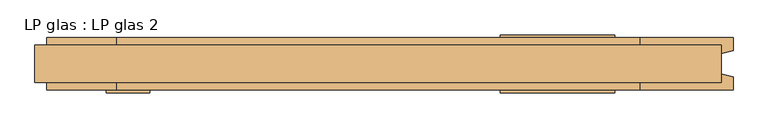
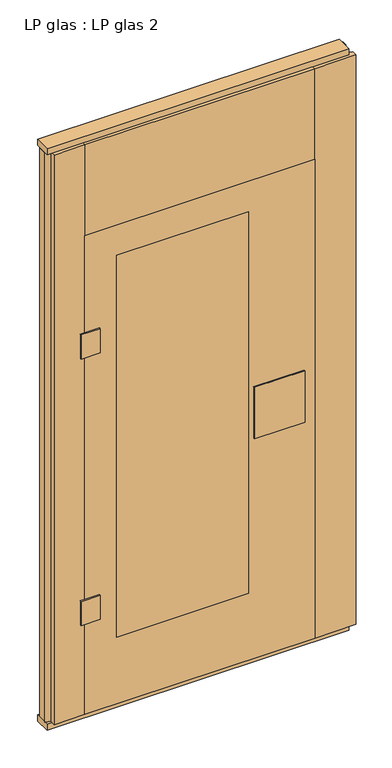
"""IFC4 building model written with IfcOpenShell, lengths in millimetres: door geometry, LP glas : LP glas 2."""

from ifc_helpers import new_model, si_unit, frame, origin, origin_with_axes, place, context, project, spatial, polyline, outline, extrude, source, transform, mapped, element, save


def lp_glas_lp_glas_2_9ddfba80(model_context):
    return source(origin(), model_context, "Body", "SweptSolid", [
        extrude(outline(polyline([(-325.0, -45.0), (-325.0, 45.0), (190.0, 45.0), (190.0, -45.0), (-325.0, -45.0)])), frame((0.0, 0.0, 300.0), z_axis=(0.0, 0.0, 1.0), x_axis=(1.0, 0.0, 0.0)), (0.0, 0.0, 1.0), 1575.0),
        extrude(outline(polyline([(-392.5, -45.0), (-392.5, -50.0), (-467.5, -50.0), (-467.5, -45.0), (-392.5, -45.0)])), frame((0.0, 0.0, 1500.0), z_axis=(0.0, 0.0, 1.0), x_axis=(1.0, 0.0, 0.0)), (0.0, 0.0, 1.0), 100.0),
        extrude(outline(polyline([(-392.5, -45.0), (-392.5, -50.0), (-467.5, -50.0), (-467.5, -45.0), (-392.5, -45.0)])), frame((0.0, 0.0, 400.0), z_axis=(0.0, 0.0, 1.0), x_axis=(1.0, 0.0, 0.0)), (0.0, 0.0, 1.0), 100.0),
        extrude(outline(polyline([(-325.0, -45.0), (-325.0, 45.0), (190.0, 45.0), (190.0, -45.0), (-325.0, -45.0)])), frame((0.0, 0.0, 300.0), z_axis=(0.0, 0.0, 1.0), x_axis=(1.0, 0.0, 0.0)), (0.0, 0.0, 1.0), 1575.0),
        extrude(outline(polyline([(210.0, -50.0), (210.0, -45.0), (407.0, -45.0), (407.0, -50.0), (210.0, -50.0)])), frame((0.0, 0.0, 934.0), z_axis=(0.0, 0.0, 1.0), x_axis=(1.0, 0.0, 0.0)), (0.0, 0.0, 1.0), 212.0),
        extrude(outline(polyline([(210.0, 45.0), (210.0, 50.0), (407.0, 50.0), (407.0, 45.0), (210.0, 45.0)])), frame((0.0, 0.0, 934.0), z_axis=(0.0, 0.0, 1.0), x_axis=(1.0, 0.0, 0.0)), (0.0, 0.0, 1.0), 212.0),
        extrude(outline(polyline([(25.0, -450.0), (25.0, 450.0), (2000.0, 450.0), (2000.0, -450.0), (25.0, -450.0)]), holes=[polyline([(300.0, 190.0), (300.0, -325.0), (1875.0, -325.0), (1875.0, 190.0), (300.0, 190.0)])]), frame((0.0, -45.0, 0.0), z_axis=(0.0, 1.0, 0.0), x_axis=(0.0, 0.0, 1.0)), (0.0, 0.0, 1.0), 90.0),
        extrude(outline(polyline([(590.0, 32.0), (590.0, -32.0), (-590.0, -32.0), (-590.0, 32.0), (590.0, 32.0)])), origin_with_axes(), (0.0, 0.0, 1.0), 25.0),
        extrude(outline(polyline([(590.0, 32.0), (590.0, -32.0), (-590.0, -32.0), (-590.0, 32.0), (590.0, 32.0)])), frame((0.0, 0.0, 2375.0), z_axis=(0.0, 0.0, 1.0), x_axis=(1.0, 0.0, 0.0)), (0.0, 0.0, 1.0), 25.0),
        extrude(outline(polyline([(-570.0, -45.0), (-570.0, -22.9993165), (-590.0, -17.6401049), (-590.0, 17.6401049), (-570.0, 22.9993165), (-570.0, 45.0), (-450.0, 45.0), (-450.0, -45.0), (-570.0, -45.0)])), frame((0.0, 0.0, 25.0), z_axis=(0.0, 0.0, 1.0), x_axis=(1.0, 0.0, 0.0)), (0.0, 0.0, 1.0), 2350.0),
        extrude(outline(polyline([(450.0, -45.0), (450.0, 45.0), (609.9999999, 45.0), (609.9999999, 22.9993165), (589.9999999, 17.6401049), (589.9999999, -17.6401049), (609.9999999, -22.9993165), (609.9999999, -45.0), (450.0, -45.0)])), frame((0.0, 0.0, 25.0), z_axis=(0.0, 0.0, 1.0), x_axis=(1.0, 0.0, 0.0)), (0.0, 0.0, 1.0), 2350.0),
        extrude(outline(polyline([(450.0, 45.0), (450.0, -45.0), (-450.0, -45.0), (-450.0, 45.0), (450.0, 45.0)])), frame((0.0, 0.0, 2000.0), z_axis=(0.0, 0.0, 1.0), x_axis=(1.0, 0.0, 0.0)), (0.0, 0.0, 1.0), 375.0),
    ])


if __name__ == "__main__":
    model = new_model("IFC4")
    model_context = context("Model", 3, world=origin())
    ifc_project = project(units=[si_unit("LENGTHUNIT", "METRE", prefix="MILLI")], contexts=[model_context])
    site = spatial("IfcSite", under=ifc_project)
    building = spatial("IfcBuilding", under=site)
    placement = place(None, origin())
    lp_glas_lp_glas_2_shape = lp_glas_lp_glas_2_9ddfba80(model_context)
    element("IfcDoor", 1, ObjectType="LP glas : LP glas 2", at=placement, inside=building, context=model_context, shape_type="MappedRepresentation", body=[
        mapped(lp_glas_lp_glas_2_shape, transform((0.0, 0.0, 0.0), x_axis=(1.0, 0.0, 0.0), y_axis=(0.0, 1.0, 0.0), z_axis=(0.0, 0.0, 1.0))),
    ])
    save(model, "model.ifc")
